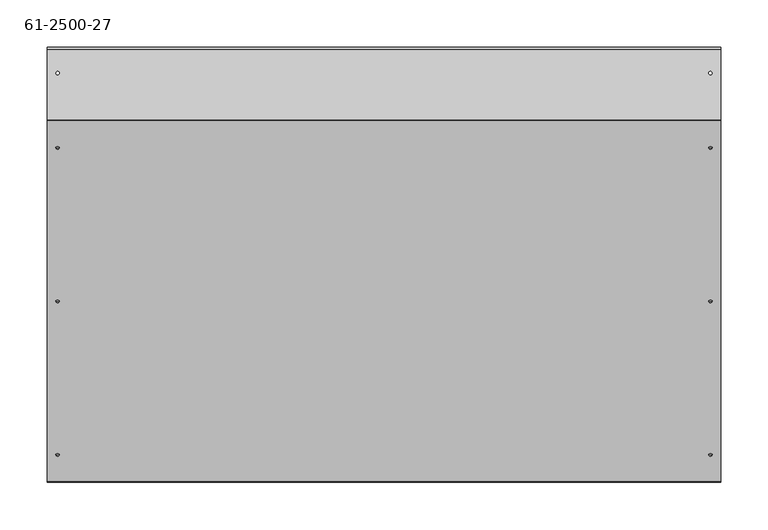
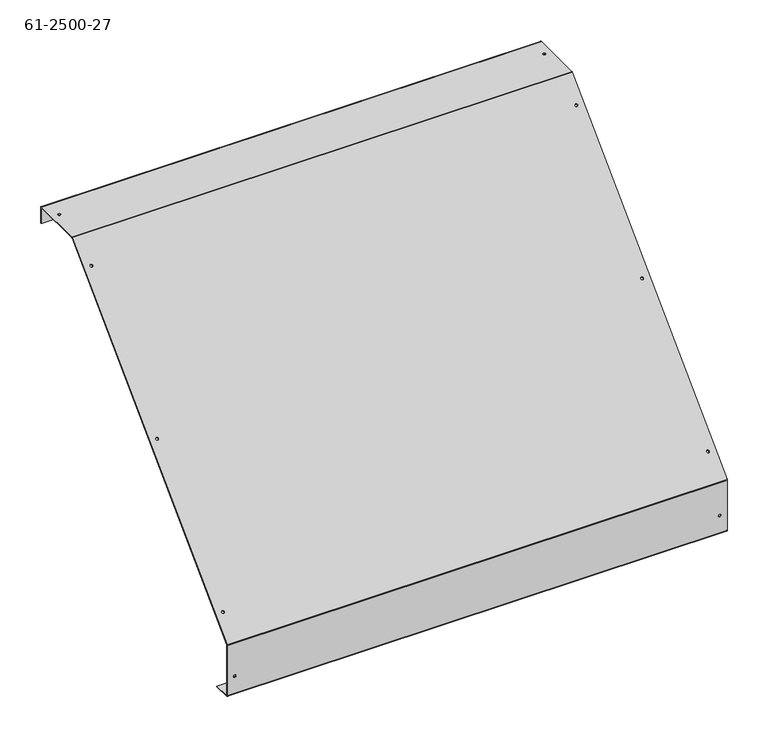
"""IFC4 building model written with IfcOpenShell, lengths in millimetres: proxy geometry, 61-2500-27."""

import ifcopenshell
import ifcopenshell.guid

model = None  # the IFC model being written
_history = None  # IfcOwnerHistory: only IFC2X3 demands one
_inside = {}  # id of a spatial element -> (the spatial element, [elements in it])
_under = {}  # id of a project, library or spatial element -> (it, [spatial elements below it])
_declared = {}  # id of a project -> (the project, [libraries it declares])
_typed = {}  # id of a type object -> (the type object, [elements of that type])
_made_of = {}  # id of a material, layer set ... -> (it, [elements and type objects made of it])


def new_model(schema):
    """Start an empty IFC model of exactly this schema.

    Asked for "IFC4X3", IfcOpenShell would pick the latest addendum, in which some entities
    have other attributes; the version numbers below select the first issue.
    IFC2X3 requires an IfcOwnerHistory on every rooted entity: one is made here for all.
    """
    global model, _history
    if schema == "IFC4X3":
        model = ifcopenshell.file(schema_version=(4, 3, 0, 0))
    else:
        model = ifcopenshell.file(schema=schema)
    _inside.clear()
    _under.clear()
    _declared.clear()
    _typed.clear()
    _made_of.clear()
    _history = None
    if model.schema == "IFC2X3":
        org = make("IfcOrganization", Name="unknown")
        user = make(
            "IfcPersonAndOrganization",
            ThePerson=make("IfcPerson", FamilyName="unknown"),
            TheOrganization=org,
        )
        app = make(
            "IfcApplication",
            ApplicationDeveloper=org,
            Version="unknown",
            ApplicationFullName="unknown",
            ApplicationIdentifier="unknown",
        )
        _history = make(
            "IfcOwnerHistory",
            OwningUser=user,
            OwningApplication=app,
            ChangeAction="ADDED",
            CreationDate=0,
        )
    return model


def make(cls, **values):
    """One entity of the class cls with the attributes given. An attribute that is None is left unset."""
    return model.create_entity(
        cls, **{name: value for name, value in values.items() if value is not None}
    )


def rooted(cls, **values):
    """An entity with a GlobalId (a new one), such as an element, a storey or a relation."""
    return make(cls, GlobalId=ifcopenshell.guid.new(), OwnerHistory=_history, **values)


def si_unit(unit_type, name, prefix=None):
    """IfcSIUnit, for example si_unit("LENGTHUNIT", "METRE", prefix="MILLI")."""
    return make("IfcSIUnit", UnitType=unit_type, Prefix=prefix, Name=name)


def assignment(units):
    """IfcUnitAssignment: the units of a project."""
    return None if units is None else make("IfcUnitAssignment", Units=units)


def point(xyz):
    """IfcCartesianPoint."""
    return None if xyz is None else make("IfcCartesianPoint", Coordinates=xyz)


def direction(xyz):
    """IfcDirection."""
    return None if xyz is None else make("IfcDirection", DirectionRatios=xyz)


def frame(location, z_axis=None, x_axis=None):
    """IfcAxis2Placement3D, a coordinate frame: its origin and axes. An axis left out is left unset."""
    return make(
        "IfcAxis2Placement3D",
        Location=point(location),
        Axis=direction(z_axis),
        RefDirection=direction(x_axis),
    )


def origin():
    """The frame at (0, 0, 0) with its axes left unset."""
    return frame((0.0, 0.0, 0.0))


def place(relative_to, where):
    """IfcLocalPlacement: puts the frame where relative to a parent placement (None: the world)."""
    return make(
        "IfcLocalPlacement", PlacementRelTo=relative_to, RelativePlacement=where
    )


def context(
    kind, dimensions, precision=None, world=None, true_north=None, identifier=None
):
    """IfcGeometricRepresentationContext, for example the 3D "Model" context."""
    return make(
        "IfcGeometricRepresentationContext",
        ContextIdentifier=identifier,
        ContextType=kind,
        CoordinateSpaceDimension=dimensions,
        Precision=precision,
        WorldCoordinateSystem=world,
        TrueNorth=true_north,
    )


def project(units=None, contexts=None):
    """IfcProject with its units and contexts."""
    return rooted(
        "IfcProject",
        Name="project",
        RepresentationContexts=contexts,
        UnitsInContext=assignment(units),
    )


def spatial(cls, under=None, at=None, **own):
    """A site, building, storey or space (cls), placed at a placement, below another one or the project."""
    s = rooted(cls, ObjectPlacement=at, **own)
    if under is not None:
        _under.setdefault(under.id(), (under, []))[1].append(s)
    return s


def polyline(points):
    """IfcPolyline through the points."""
    return make("IfcPolyline", Points=[point(p) for p in points])


def circle_curve(where, radius):
    """IfcCircle in the frame where."""
    return make("IfcCircle", Position=where, Radius=radius)


def shape(context_of_items, identifier, shape_type, items):
    """IfcShapeRepresentation: the items that make up one representation, for example the "Body"."""
    return make(
        "IfcShapeRepresentation",
        ContextOfItems=context_of_items,
        RepresentationIdentifier=identifier,
        RepresentationType=shape_type,
        Items=items,
    )


def source(mapping_origin, context_of_items, identifier, shape_type, items):
    """IfcRepresentationMap: a shape defined once, which mapped items show again and again."""
    return make(
        "IfcRepresentationMap",
        MappingOrigin=mapping_origin,
        MappedRepresentation=shape(context_of_items, identifier, shape_type, items),
    )


def transform(
    local_origin,
    x_axis=None,
    y_axis=None,
    z_axis=None,
    scale=None,
    scale2=None,
    scale3=None,
    uniform=True,
):
    """IfcCartesianTransformationOperator3D, or its non-uniform kind. x_axis, y_axis, z_axis: its Axis1, 2, 3."""
    if uniform:
        return make(
            "IfcCartesianTransformationOperator3D",
            Axis1=direction(x_axis),
            Axis2=direction(y_axis),
            LocalOrigin=point(local_origin),
            Scale=scale,
            Axis3=direction(z_axis),
        )
    return make(
        "IfcCartesianTransformationOperator3DnonUniform",
        Axis1=direction(x_axis),
        Axis2=direction(y_axis),
        LocalOrigin=point(local_origin),
        Scale=scale,
        Axis3=direction(z_axis),
        Scale2=scale2,
        Scale3=scale3,
    )


def mapped(mapping_source, mapping_target):
    """IfcMappedItem: shows the shape of a source again, moved by a transform."""
    return make(
        "IfcMappedItem", MappingSource=mapping_source, MappingTarget=mapping_target
    )


def made_of(thing, what):
    """Note that an element or type object is made of a material, layer set ...; save() writes the relation."""
    if what is not None:
        _made_of.setdefault(what.id(), (what, []))[1].append(thing)
    return thing


def element(
    cls,
    number,
    at=None,
    inside=None,
    cuts=None,
    type_object=None,
    material=None,
    context=None,
    identifier="Body",
    shape_type=None,
    held_by="IfcProductDefinitionShape",
    body=None,
    shapes=None,
    **own,
):
    """One element of the class cls, such as IfcWall. Its Tag is "e" and its number.

    at: its placement. inside: the storey or other place that contains it. cuts: it is an
    opening in that element (IfcRelVoidsElement). A single representation is given by context,
    identifier, shape_type and body (its items); several are given by shapes. held_by: the class
    of the entity that holds the representations. save() writes the other relations.
    """
    e = rooted(cls, Tag="e%d" % number, ObjectPlacement=at, **own)
    if body is not None:
        shapes = [shape(context, identifier, shape_type, body)]
    if shapes is not None:
        e.Representation = make(held_by, Representations=shapes)
    if inside is not None:
        _inside.setdefault(inside.id(), (inside, []))[1].append(e)
    if cuts is not None:
        rooted(
            "IfcRelVoidsElement", RelatingBuildingElement=cuts, RelatedOpeningElement=e
        )
    if type_object is not None:
        _typed.setdefault(type_object.id(), (type_object, []))[1].append(e)
    return made_of(e, material)


def aggregate(whole, parts):
    """IfcRelAggregates: a whole, such as a stair, and the parts it consists of."""
    return rooted("IfcRelAggregates", RelatingObject=whole, RelatedObjects=parts)


def save(model, path):
    """Write the relations noted so far, then the file.

    IfcRelAggregates (storeys below a building ...), IfcRelContainedInSpatialStructure (elements
    in a storey), IfcRelDefinesByType, IfcRelAssociatesMaterial and IfcRelDeclares: one each for
    every whole, place, type object, material and project.
    """
    for whole, parts in _under.values():
        aggregate(whole, parts)
    for where, things in _inside.values():
        rooted(
            "IfcRelContainedInSpatialStructure",
            RelatedElements=things,
            RelatingStructure=where,
        )
    for kind, things in _typed.values():
        rooted("IfcRelDefinesByType", RelatedObjects=things, RelatingType=kind)
    for what, things in _made_of.values():
        rooted("IfcRelAssociatesMaterial", RelatedObjects=things, RelatingMaterial=what)
    for by, libraries in _declared.values():
        rooted("IfcRelDeclares", RelatingContext=by, RelatedDefinitions=libraries)
    model.write(path)


def plane_surface(at):
    """IfcPlane: the flat surface through the origin of the frame at, square to its z axis."""
    return make("IfcPlane", Position=at)


def cylinder_surface(at, radius):
    """IfcCylindricalSurface: all points at the distance radius from the z axis of the frame at."""
    return make("IfcCylindricalSurface", Position=at, Radius=radius)


def revolved_surface(curve, axis_point, axis_direction):
    """IfcSurfaceOfRevolution: the curve turned about the line through axis_point along axis_direction."""
    return make(
        "IfcSurfaceOfRevolution",
        SweptCurve=make("IfcArbitraryOpenProfileDef", ProfileType="CURVE", Curve=curve),
        AxisPosition=make("IfcAxis1Placement", Location=point(axis_point), Axis=direction(axis_direction)),
    )


def advanced_brep(points, edges, surfaces, faces):
    """IfcAdvancedBrep: a solid bounded by faces that lie on surfaces and meet in shared edges.

    An edge is (start, end): straight between two places in points (the first is 0);
    or (start, end, curve); or (start, end, curve, False) where it runs against its curve.
    A face is (place in surfaces, loops), or (place, loops, False) where it looks against
    its surface's normal. A loop lists edges by number (the first is 1), with a minus sign
    where the edge is run from its end to its start. The first loop is the outer one.
    """
    corners = [point(p) for p in points]
    vertices = [make("IfcVertexPoint", VertexGeometry=c) for c in corners]
    made = []
    for start, end, *more in edges:
        made.append(
            make(
                "IfcEdgeCurve",
                EdgeStart=vertices[start],
                EdgeEnd=vertices[end],
                EdgeGeometry=more[0] if more else make("IfcPolyline", Points=[corners[start], corners[end]]),
                SameSense=more[1] if len(more) > 1 else True,
            )
        )
    hull = []
    for where, loops, *sense in faces:
        bounds = []
        for j, loop in enumerate(loops):
            ring = [make("IfcOrientedEdge", EdgeElement=made[abs(k) - 1], Orientation=k > 0) for k in loop]
            bounds.append(
                make(
                    "IfcFaceOuterBound" if j == 0 else "IfcFaceBound",
                    Bound=make("IfcEdgeLoop", EdgeList=ring),
                    Orientation=True,
                )
            )
        hull.append(make("IfcAdvancedFace", Bounds=bounds, FaceSurface=surfaces[where], SameSense=sense[0] if sense else True))
    return make("IfcAdvancedBrep", Outer=make("IfcClosedShell", CfsFaces=hull))


def proxy_61_2500_27_4983288d(model_context):
    return source(origin(), model_context, "Body", "AdvancedBrep", [
        advanced_brep(
        [(-90.8969344, 178.1233695, -28.6118362), (-90.8969344, 177.5198963, -28.008363), (-94.3259344, 177.5198963, -28.008363), (-94.3259344, 178.1233695, -28.6118362), (-90.8969344, 16.4787593, -190.2564464), (-90.8969344, 15.8752861, -189.6529732), (-94.3259344, 15.8752861, -189.6529732), (-94.3259344, 16.4787593, -190.2564464), (-90.8969344, -145.1658509, -351.9010566), (-90.8969344, -145.7693241, -351.2975833), (-94.3259344, -145.7693241, -351.2975833), (-94.3259344, -145.1658509, -351.9010566), (596.6048656, -145.1658509, -351.9010566), (596.6048656, -145.7693241, -351.2975833), (593.1758656, -145.7693241, -351.2975833), (593.1758656, -145.1658509, -351.9010566), (596.6048656, 16.4787593, -190.2564464), (596.6048656, 15.8752861, -189.6529732), (593.1758656, 15.8752861, -189.6529732), (593.1758656, 16.4787593, -190.2564464), (596.6048656, 178.1233695, -28.6118362), (596.6048656, 177.5198963, -28.008363), (593.1758656, 177.5198963, -28.008363), (593.1758656, 178.1233695, -28.6118362), (-90.8969344, 256.3282593, 0.0), (-90.8969344, 256.3282593, 0.85344), (-94.3259344, 256.3282593, 0.85344), (-94.3259344, 256.3282593, 0.0), (596.6048656, 256.3282593, 0.0), (596.6048656, 256.3282593, 0.85344), (593.1758656, 256.3282593, 0.85344), (593.1758656, 256.3282593, 0.0), (-75.4423044, 282.4623193, -11.84656), (-75.4423044, 283.3157593, -11.84656), (-82.6813044, 283.3157593, -11.84656), (-82.6813044, 282.4623193, -11.84656), (144.6918756, 282.4623193, -11.84656), (144.6918756, 283.3157593, -11.84656), (137.4528756, 283.3157593, -11.84656), (137.4528756, 282.4623193, -11.84656), (364.8260556, 282.4623193, -11.84656), (364.8260556, 283.3157593, -11.84656), (357.5870556, 283.3157593, -11.84656), (357.5870556, 282.4623193, -11.84656), (584.9602356, 282.4623193, -11.84656), (584.9602356, 283.3157593, -11.84656), (577.7212356, 283.3157593, -11.84656), (577.7212356, 282.4623193, -11.84656), (-90.8969344, -173.777687, -429.8498527), (-90.8969344, -174.631127, -429.8498527), (-94.3259344, -174.631127, -429.8498527), (-94.3259344, -173.777687, -429.8498527), (596.6048656, -173.777687, -429.8498527), (596.6048656, -174.631127, -429.8498527), (593.1758656, -174.631127, -429.8498527), (593.1758656, -173.777687, -429.8498527), (605.5837656, -172.924247, -456.7128927), (-103.3048344, -172.924247, -456.7128927), (-103.3048344, -173.777687, -455.8594527), (605.5837656, -173.777687, -455.8594527), (605.5837656, -172.924247, -457.5663327), (605.5837656, -149.231127, -457.5663327), (605.5837656, -149.231127, -456.7128927), (-103.3048344, -172.924247, -457.5663327), (-103.3048344, -149.231127, -457.5663327), (-103.3048344, -174.631127, -455.8594527), (605.5837656, -174.631127, -455.8594527), (-103.3048344, -149.231127, -456.7128927), (605.5837656, -173.777687, -380.8663992), (605.5837656, -173.5277203, -380.262926), (605.5837656, 206.4852389, -0.2499668), (605.5837656, 207.0887121, 0.0), (605.5837656, 281.6088793, 0.0), (605.5837656, 282.4623193, -0.85344), (605.5837656, 282.4623193, -24.54656), (605.5837656, 283.3157593, -24.54656), (605.5837656, 283.3157593, -0.85344), (605.5837656, 281.6088793, 0.85344), (605.5837656, 207.0887121, 0.85344), (605.5837656, 205.8817657, 0.3535064), (605.5837656, -174.1311935, -379.6594527), (605.5837656, -174.631127, -380.8663992), (-103.3048344, -173.777687, -380.8663992), (-103.3048344, -174.631127, -380.8663992), (-103.3048344, -174.1311935, -379.6594527), (-103.3048344, 205.8817657, 0.3535064), (-103.3048344, 207.0887121, 0.85344), (-103.3048344, 281.6088793, 0.85344), (-103.3048344, 283.3157593, -0.85344), (-103.3048344, 283.3157593, -24.54656), (-103.3048344, 282.4623193, -24.54656), (-103.3048344, 282.4623193, -0.85344), (-103.3048344, 281.6088793, 0.0), (-103.3048344, 207.0887121, 0.0), (-103.3048344, 206.4852389, -0.2499668), (-103.3048344, -173.5277203, -380.262926)],
        [
            (0, 1),
            (1, 2, circle_curve(frame((-92.6114344, 177.5198963, -28.008363), z_axis=(0.0, -0.7071067811865475, 0.7071067811865476), x_axis=(1.0, 0.0, 0.0)), 1.7145)),
            (2, 3),
            (3, 0, circle_curve(frame((-92.6114344, 178.1233695, -28.6118362), z_axis=(0.0, 0.7071067811865475, -0.7071067811865476), x_axis=(1.0, 0.0, 0.0)), 1.7145)),
            (4, 5),
            (5, 6, circle_curve(frame((-92.6114344, 15.8752861, -189.6529732), z_axis=(0.0, -0.7071067811865475, 0.7071067811865476), x_axis=(1.0, 0.0, 0.0)), 1.7145)),
            (6, 7),
            (7, 4, circle_curve(frame((-92.6114344, 16.4787593, -190.2564464), z_axis=(0.0, 0.7071067811865475, -0.7071067811865476), x_axis=(1.0, 0.0, 0.0)), 1.7145)),
            (8, 9),
            (9, 10, circle_curve(frame((-92.6114344, -145.7693241, -351.2975833), z_axis=(0.0, -0.7071067811865475, 0.7071067811865476), x_axis=(1.0, 0.0, 0.0)), 1.7145)),
            (10, 11),
            (11, 8, circle_curve(frame((-92.6114344, -145.1658509, -351.9010566), z_axis=(0.0, 0.7071067811865475, -0.7071067811865476), x_axis=(1.0, 0.0, 0.0)), 1.7145)),
            (12, 13),
            (13, 14, circle_curve(frame((594.8903656, -145.7693241, -351.2975833), z_axis=(0.0, -0.7071067811865475, 0.7071067811865476), x_axis=(1.0, 0.0, 0.0)), 1.7145)),
            (14, 15),
            (15, 12, circle_curve(frame((594.8903656, -145.1658509, -351.9010566), z_axis=(0.0, 0.7071067811865475, -0.7071067811865476), x_axis=(1.0, 0.0, 0.0)), 1.7145)),
            (16, 17),
            (17, 18, circle_curve(frame((594.8903656, 15.8752861, -189.6529732), z_axis=(0.0, -0.7071067811865475, 0.7071067811865476), x_axis=(1.0, 0.0, 0.0)), 1.7145)),
            (18, 19),
            (19, 16, circle_curve(frame((594.8903656, 16.4787593, -190.2564464), z_axis=(0.0, 0.7071067811865475, -0.7071067811865476), x_axis=(1.0, 0.0, 0.0)), 1.7145)),
            (20, 21),
            (21, 22, circle_curve(frame((594.8903656, 177.5198963, -28.008363), z_axis=(0.0, -0.7071067811865475, 0.7071067811865476), x_axis=(1.0, 0.0, 0.0)), 1.7145)),
            (22, 23),
            (23, 20, circle_curve(frame((594.8903656, 178.1233695, -28.6118362), z_axis=(0.0, 0.7071067811865475, -0.7071067811865476), x_axis=(1.0, 0.0, 0.0)), 1.7145)),
            (24, 25),
            (25, 26, circle_curve(frame((-92.6114344, 256.3282593, 0.85344), z_axis=(0.0, 0.0, 1.0), x_axis=(1.0, 0.0, 0.0)), 1.7145)),
            (26, 27),
            (27, 24, circle_curve(frame((-92.6114344, 256.3282593, 0.0), z_axis=(0.0, 0.0, -1.0), x_axis=(1.0, 0.0, 0.0)), 1.7145)),
            (28, 29),
            (29, 30, circle_curve(frame((594.8903656, 256.3282593, 0.85344), z_axis=(0.0, 0.0, 1.0), x_axis=(1.0, 0.0, 0.0)), 1.7145)),
            (30, 31),
            (31, 28, circle_curve(frame((594.8903656, 256.3282593, 0.0), z_axis=(0.0, 0.0, -1.0), x_axis=(1.0, 0.0, 0.0)), 1.7145)),
            (32, 33),
            (33, 34, circle_curve(frame((-79.0618044, 283.3157593, -11.84656), z_axis=(0.0, 1.0, 0.0), x_axis=(1.0, 0.0, 0.0)), 3.6195)),
            (34, 35),
            (35, 32, circle_curve(frame((-79.0618044, 282.4623193, -11.84656), z_axis=(0.0, -1.0, 0.0), x_axis=(1.0, 0.0, 0.0)), 3.6195)),
            (36, 37),
            (37, 38, circle_curve(frame((141.0723756, 283.3157593, -11.84656), z_axis=(0.0, 1.0, 0.0), x_axis=(1.0, 0.0, 0.0)), 3.6195)),
            (38, 39),
            (39, 36, circle_curve(frame((141.0723756, 282.4623193, -11.84656), z_axis=(0.0, -1.0, 0.0), x_axis=(1.0, 0.0, 0.0)), 3.6195)),
            (40, 41),
            (41, 42, circle_curve(frame((361.2065556, 283.3157593, -11.84656), z_axis=(0.0, 1.0, 0.0), x_axis=(1.0, 0.0, 0.0)), 3.6195)),
            (42, 43),
            (43, 40, circle_curve(frame((361.2065556, 282.4623193, -11.84656), z_axis=(0.0, -1.0, 0.0), x_axis=(1.0, 0.0, 0.0)), 3.6195)),
            (44, 45),
            (45, 46, circle_curve(frame((581.3407356, 283.3157593, -11.84656), z_axis=(0.0, 1.0, 0.0), x_axis=(1.0, 0.0, 0.0)), 3.6195)),
            (46, 47),
            (47, 44, circle_curve(frame((581.3407356, 282.4623193, -11.84656), z_axis=(0.0, -1.0, 0.0), x_axis=(1.0, 0.0, 0.0)), 3.6195)),
            (48, 49),
            (49, 50, circle_curve(frame((-92.6114344, -174.631127, -429.8498527), z_axis=(0.0, -1.0, 0.0), x_axis=(1.0, 0.0, 0.0)), 1.7145)),
            (50, 51),
            (51, 48, circle_curve(frame((-92.6114344, -173.777687, -429.8498527), z_axis=(0.0, 1.0, 0.0), x_axis=(1.0, 0.0, 0.0)), 1.7145)),
            (52, 53),
            (53, 54, circle_curve(frame((594.8903656, -174.631127, -429.8498527), z_axis=(0.0, -1.0, 0.0), x_axis=(1.0, 0.0, 0.0)), 1.7145)),
            (54, 55),
            (55, 52, circle_curve(frame((594.8903656, -173.777687, -429.8498527), z_axis=(0.0, 1.0, 0.0), x_axis=(1.0, 0.0, 0.0)), 1.7145)),
            (52, 55, circle_curve(frame((594.8903656, -173.777687, -429.8498527), z_axis=(0.0, 1.0, 0.0), x_axis=(1.0, 0.0, 0.0)), 1.7145)),
            (54, 53, circle_curve(frame((594.8903656, -174.631127, -429.8498527), z_axis=(0.0, -1.0, 0.0), x_axis=(1.0, 0.0, 0.0)), 1.7145)),
            (48, 51, circle_curve(frame((-92.6114344, -173.777687, -429.8498527), z_axis=(0.0, 1.0, 0.0), x_axis=(1.0, 0.0, 0.0)), 1.7145)),
            (50, 49, circle_curve(frame((-92.6114344, -174.631127, -429.8498527), z_axis=(0.0, -1.0, 0.0), x_axis=(1.0, 0.0, 0.0)), 1.7145)),
            (56, 57),
            (57, 58, circle_curve(frame((-103.3048344, -172.924247, -455.8594527), z_axis=(-1.0, 0.0, 0.0), x_axis=(0.0, -1.0, 0.0)), 0.85344)),
            (58, 59),
            (59, 56, circle_curve(frame((605.5837656, -172.924247, -455.8594527), z_axis=(1.0, 0.0, 0.0), x_axis=(0.0, -1.0, 0.0)), 0.85344)),
            (56, 60),
            (60, 61),
            (61, 62),
            (62, 56),
            (60, 63),
            (63, 64),
            (64, 61),
            (57, 63),
            (63, 65, circle_curve(frame((-103.3048344, -172.924247, -455.8594527), z_axis=(-1.0, 0.0, 0.0), x_axis=(0.0, -1.0, 0.0)), 1.70688)),
            (65, 58),
            (59, 66),
            (66, 60, circle_curve(frame((605.5837656, -172.924247, -455.8594527), z_axis=(1.0, 0.0, 0.0), x_axis=(0.0, -1.0, 0.0)), 1.70688)),
            (57, 67),
            (67, 64),
            (67, 62),
            (66, 65),
            (59, 68),
            (68, 69, circle_curve(frame((605.5837656, -172.924247, -380.8663992), z_axis=(-1.0, 0.0, 0.0), x_axis=(0.0, -0.7071067811866516, 0.7071067811864434)), 0.85344)),
            (69, 70),
            (70, 71, circle_curve(frame((605.5837656, 207.0887121, -0.85344), z_axis=(-1.0, 0.0, 0.0), x_axis=(0.0, 0.0, 1.0)), 0.85344)),
            (71, 72),
            (72, 73, circle_curve(frame((605.5837656, 281.6088793, -0.85344), z_axis=(-1.0, 0.0, 0.0), x_axis=(0.0, 0.0, 1.0)), 0.85344)),
            (73, 74),
            (74, 75),
            (75, 76),
            (76, 77, circle_curve(frame((605.5837656, 281.6088793, -0.85344), z_axis=(1.0, 0.0, 0.0), x_axis=(0.0, 0.0, 1.0)), 1.70688)),
            (77, 78),
            (78, 79, circle_curve(frame((605.5837656, 207.0887121, -0.85344), z_axis=(1.0, 0.0, 0.0), x_axis=(0.0, 0.0, 1.0)), 1.70688)),
            (79, 80),
            (80, 81, circle_curve(frame((605.5837656, -172.924247, -380.8663992), z_axis=(1.0, 0.0, 0.0), x_axis=(0.0, -0.7071067811866516, 0.7071067811864434)), 1.70688)),
            (81, 66),
            (58, 82),
            (82, 68),
            (44, 47, circle_curve(frame((581.3407356, 282.4623193, -11.84656), z_axis=(0.0, -1.0, 0.0), x_axis=(1.0, 0.0, 0.0)), 3.6195)),
            (46, 45, circle_curve(frame((581.3407356, 283.3157593, -11.84656), z_axis=(0.0, 1.0, 0.0), x_axis=(1.0, 0.0, 0.0)), 3.6195)),
            (40, 43, circle_curve(frame((361.2065556, 282.4623193, -11.84656), z_axis=(0.0, -1.0, 0.0), x_axis=(1.0, 0.0, 0.0)), 3.6195)),
            (42, 41, circle_curve(frame((361.2065556, 283.3157593, -11.84656), z_axis=(0.0, 1.0, 0.0), x_axis=(1.0, 0.0, 0.0)), 3.6195)),
            (36, 39, circle_curve(frame((141.0723756, 282.4623193, -11.84656), z_axis=(0.0, -1.0, 0.0), x_axis=(1.0, 0.0, 0.0)), 3.6195)),
            (38, 37, circle_curve(frame((141.0723756, 283.3157593, -11.84656), z_axis=(0.0, 1.0, 0.0), x_axis=(1.0, 0.0, 0.0)), 3.6195)),
            (32, 35, circle_curve(frame((-79.0618044, 282.4623193, -11.84656), z_axis=(0.0, -1.0, 0.0), x_axis=(1.0, 0.0, 0.0)), 3.6195)),
            (34, 33, circle_curve(frame((-79.0618044, 283.3157593, -11.84656), z_axis=(0.0, 1.0, 0.0), x_axis=(1.0, 0.0, 0.0)), 3.6195)),
            (28, 31, circle_curve(frame((594.8903656, 256.3282593, 0.0), z_axis=(0.0, 0.0, -1.0), x_axis=(1.0, 0.0, 0.0)), 1.7145)),
            (30, 29, circle_curve(frame((594.8903656, 256.3282593, 0.85344), z_axis=(0.0, 0.0, 1.0), x_axis=(1.0, 0.0, 0.0)), 1.7145)),
            (24, 27, circle_curve(frame((-92.6114344, 256.3282593, 0.0), z_axis=(0.0, 0.0, -1.0), x_axis=(1.0, 0.0, 0.0)), 1.7145)),
            (26, 25, circle_curve(frame((-92.6114344, 256.3282593, 0.85344), z_axis=(0.0, 0.0, 1.0), x_axis=(1.0, 0.0, 0.0)), 1.7145)),
            (20, 23, circle_curve(frame((594.8903656, 178.1233695, -28.6118362), z_axis=(0.0, 0.7071067811865475, -0.7071067811865476), x_axis=(1.0, 0.0, 0.0)), 1.7145)),
            (22, 21, circle_curve(frame((594.8903656, 177.5198963, -28.008363), z_axis=(0.0, -0.7071067811865475, 0.7071067811865476), x_axis=(1.0, 0.0, 0.0)), 1.7145)),
            (16, 19, circle_curve(frame((594.8903656, 16.4787593, -190.2564464), z_axis=(0.0, 0.7071067811865475, -0.7071067811865476), x_axis=(1.0, 0.0, 0.0)), 1.7145)),
            (18, 17, circle_curve(frame((594.8903656, 15.8752861, -189.6529732), z_axis=(0.0, -0.7071067811865475, 0.7071067811865476), x_axis=(1.0, 0.0, 0.0)), 1.7145)),
            (12, 15, circle_curve(frame((594.8903656, -145.1658509, -351.9010566), z_axis=(0.0, 0.7071067811865475, -0.7071067811865476), x_axis=(1.0, 0.0, 0.0)), 1.7145)),
            (14, 13, circle_curve(frame((594.8903656, -145.7693241, -351.2975833), z_axis=(0.0, -0.7071067811865475, 0.7071067811865476), x_axis=(1.0, 0.0, 0.0)), 1.7145)),
            (8, 11, circle_curve(frame((-92.6114344, -145.1658509, -351.9010566), z_axis=(0.0, 0.7071067811865475, -0.7071067811865476), x_axis=(1.0, 0.0, 0.0)), 1.7145)),
            (10, 9, circle_curve(frame((-92.6114344, -145.7693241, -351.2975833), z_axis=(0.0, -0.7071067811865475, 0.7071067811865476), x_axis=(1.0, 0.0, 0.0)), 1.7145)),
            (4, 7, circle_curve(frame((-92.6114344, 16.4787593, -190.2564464), z_axis=(0.0, 0.7071067811865475, -0.7071067811865476), x_axis=(1.0, 0.0, 0.0)), 1.7145)),
            (6, 5, circle_curve(frame((-92.6114344, 15.8752861, -189.6529732), z_axis=(0.0, -0.7071067811865475, 0.7071067811865476), x_axis=(1.0, 0.0, 0.0)), 1.7145)),
            (0, 3, circle_curve(frame((-92.6114344, 178.1233695, -28.6118362), z_axis=(0.0, 0.7071067811865475, -0.7071067811865476), x_axis=(1.0, 0.0, 0.0)), 1.7145)),
            (2, 1, circle_curve(frame((-92.6114344, 177.5198963, -28.008363), z_axis=(0.0, -0.7071067811865475, 0.7071067811865476), x_axis=(1.0, 0.0, 0.0)), 1.7145)),
            (65, 83),
            (83, 84, circle_curve(frame((-103.3048344, -172.924247, -380.8663992), z_axis=(-1.0, 0.0, 0.0), x_axis=(0.0, -0.7071067811866516, 0.7071067811864434)), 1.70688)),
            (84, 85),
            (85, 86, circle_curve(frame((-103.3048344, 207.0887121, -0.85344), z_axis=(-1.0, 0.0, 0.0), x_axis=(0.0, 0.0, 1.0)), 1.70688)),
            (86, 87),
            (87, 88, circle_curve(frame((-103.3048344, 281.6088793, -0.85344), z_axis=(-1.0, 0.0, 0.0), x_axis=(0.0, 0.0, 1.0)), 1.70688)),
            (88, 89),
            (89, 90),
            (90, 91),
            (91, 92, circle_curve(frame((-103.3048344, 281.6088793, -0.85344), z_axis=(1.0, 0.0, 0.0), x_axis=(0.0, 0.0, 1.0)), 0.85344)),
            (92, 93),
            (93, 94, circle_curve(frame((-103.3048344, 207.0887121, -0.85344), z_axis=(1.0, 0.0, 0.0), x_axis=(0.0, 0.0, 1.0)), 0.85344)),
            (94, 95),
            (95, 82, circle_curve(frame((-103.3048344, -172.924247, -380.8663992), z_axis=(1.0, 0.0, 0.0), x_axis=(0.0, -0.7071067811866516, 0.7071067811864434)), 0.85344)),
            (88, 76),
            (75, 89),
            (74, 90),
            (73, 91),
            (87, 77),
            (72, 92),
            (86, 78),
            (81, 83),
            (95, 69),
            (80, 84),
            (94, 70),
            (79, 85),
            (93, 71),
        ],
        [
            revolved_surface(polyline([(-90.89693439999999, 177.5198963, -28.008363000000003), (-90.89693439999999, 178.1233695, -28.6118362)]), (-92.6114344, 177.8216329, -28.3100996), (0.0, -0.7071067811865475, 0.7071067811865476)),
            revolved_surface(polyline([(-90.89693439999999, 15.8752861, -189.6529732), (-90.89693439999999, 16.4787593, -190.2564464)]), (-92.6114344, 16.1770227, -189.9547098), (0.0, -0.7071067811865475, 0.7071067811865476)),
            revolved_surface(polyline([(-90.89693439999999, -145.7693241, -351.2975833), (-90.89693439999999, -145.16585085000003, -351.90105655)]), (-92.6114344, -145.4675875, -351.5993199), (0.0, -0.7071067811865475, 0.7071067811865476)),
            revolved_surface(polyline([(596.6048656, -145.7693241, -351.2975833), (596.6048656, -145.16585085000003, -351.90105655)]), (594.8903656, -145.4675875, -351.5993199), (0.0, -0.7071067811865475, 0.7071067811865476)),
            revolved_surface(polyline([(596.6048656, 15.8752861, -189.6529732), (596.6048656, 16.4787593, -190.2564464)]), (594.8903656, 16.1770227, -189.9547098), (0.0, -0.7071067811865475, 0.7071067811865476)),
            revolved_surface(polyline([(596.6048656, 177.5198963, -28.008363000000003), (596.6048656, 178.1233695, -28.6118362)]), (594.8903656, 177.8216329, -28.3100996), (0.0, -0.7071067811865475, 0.7071067811865476)),
            revolved_surface(polyline([(-90.89693439999999, 256.3282593, 0.85344), (-90.89693439999999, 256.3282593, 0.0)]), (-92.6114344, 256.3282593, 0.42672), (0.0, 0.0, 1.0)),
            revolved_surface(polyline([(596.6048656, 256.3282593, 0.85344), (596.6048656, 256.3282593, 0.0)]), (594.8903656, 256.3282593, 0.42672), (0.0, 0.0, 1.0)),
            revolved_surface(polyline([(-75.4423044, 283.3157593, -11.84656), (-75.4423044, 282.4623193, -11.84656)]), (-79.0618044, 282.8890393, -11.84656), (0.0, 1.0, 0.0)),
            revolved_surface(polyline([(144.69187559999997, 283.3157593, -11.84656), (144.69187559999997, 282.4623193, -11.84656)]), (141.0723756, 282.8890393, -11.84656), (0.0, 1.0, 0.0)),
            revolved_surface(polyline([(364.8260556, 283.3157593, -11.84656), (364.8260556, 282.4623193, -11.84656)]), (361.2065556, 282.8890393, -11.84656), (0.0, 1.0, 0.0)),
            revolved_surface(polyline([(584.9602356, 283.3157593, -11.84656), (584.9602356, 282.4623193, -11.84656)]), (581.3407356, 282.8890393, -11.84656), (0.0, 1.0, 0.0)),
            revolved_surface(polyline([(-90.89693439999999, -174.631127, -429.8498527), (-90.89693439999999, -173.777687, -429.8498527)]), (-92.6114344, -174.204407, -429.8498527), (0.0, -1.0, 0.0)),
            revolved_surface(polyline([(596.6048656, -174.631127, -429.8498527), (596.6048656, -173.777687, -429.8498527)]), (594.8903656, -174.204407, -429.8498527), (0.0, -1.0, 0.0)),
            revolved_surface(polyline([(605.5837656, -173.77768700000001, -455.8594527), (-103.3048344, -173.77768700000001, -455.8594527)]), (251.1394656, -172.924247, -455.8594527), (1.0, 0.0, 0.0)),
            plane_surface(frame((605.5837656, -172.924247, -457.5663327), z_axis=(1.0, 0.0, 0.0), x_axis=(0.0, 1.0, 0.0))),
            plane_surface(frame((251.1394656, -162.0429049, -457.5663327), z_axis=(0.0, 0.0, -1.0), x_axis=(0.0, -1.0, 0.0))),
            plane_surface(frame((-103.3048344, -172.924247, -457.5663327), z_axis=(-1.0, 0.0, 0.0), x_axis=(0.0, 0.0, 1.0))),
            plane_surface(frame((605.5837656, -172.924247, -456.7128927), z_axis=(1.0, 0.0, 0.0), x_axis=(0.0, 0.0, -1.0))),
            plane_surface(frame((-103.3048344, -172.924247, -457.5663327), z_axis=(-1.0, 0.0, 0.0), x_axis=(0.0, -1.0, 0.0))),
            plane_surface(frame((-103.3048344, -149.231127, -457.5663327), z_axis=(0.0, 1.0, 0.0), x_axis=(-1.0, 0.0, 0.0))),
            plane_surface(frame((251.1394656, -162.0429049, -456.7128927), z_axis=(0.0, 0.0, 1.0), x_axis=(0.0, -1.0, 0.0))),
            cylinder_surface(frame((251.1394656, -172.924247, -455.8594527), z_axis=(1.0, 0.0, 0.0), x_axis=(0.0, -1.0, 0.0)), 1.70688),
            plane_surface(frame((605.5837656, 283.3157593, 0.85344), z_axis=(1.0, 0.0, 0.0), x_axis=(0.0, 0.0, -1.0))),
            plane_surface(frame((251.1394656, -173.777687, -419.4663327), z_axis=(0.0, 1.0, 0.0), x_axis=(0.0, 0.0, 1.0))),
            plane_surface(frame((-103.3048344, 283.3157593, -24.54656), z_axis=(-1.0, 0.0, 0.0), x_axis=(0.0, 0.0, 1.0))),
            plane_surface(frame((251.1394656, 283.3157593, -11.84656), z_axis=(0.0, 1.0, 0.0), x_axis=(0.0, 0.0, 1.0))),
            plane_surface(frame((605.5837656, 283.3157593, -24.54656), z_axis=(0.0, 0.0, -1.0), x_axis=(-1.0, 0.0, 0.0))),
            plane_surface(frame((251.1394656, 282.4623193, -11.84656), z_axis=(0.0, -1.0, 0.0), x_axis=(0.0, 0.0, 1.0))),
            cylinder_surface(frame((251.1394656, 281.6088793, -0.85344), z_axis=(-1.0, 0.0, 0.0), x_axis=(0.0, 0.0, 1.0)), 1.70688),
            revolved_surface(polyline([(-103.3048344, 281.6088793, 0.0), (605.5837656, 281.6088793, 0.0)]), (251.1394656, 281.6088793, -0.85344), (-1.0, 0.0, 0.0)),
            plane_surface(frame((251.1394656, 244.4220093, 0.85344), z_axis=(0.0, 0.0, 1.0), x_axis=(1.0, 0.0, 0.0))),
            plane_surface(frame((251.1394656, -174.631127, -419.4663327), z_axis=(0.0, -1.0, 0.0), x_axis=(0.0, 0.0, 1.0))),
            revolved_surface(polyline([(605.5837656, -173.52772021133595, -380.2629259886642), (-103.3048344, -173.52772021133595, -380.2629259886642)]), (251.1394656, -172.924247, -380.8663992), (1.0, 0.0, 0.0)),
            cylinder_surface(frame((251.1394656, -172.924247, -380.8663992), z_axis=(1.0, 0.0, 0.0), x_axis=(0.0, -0.7071067811866516, 0.7071067811864434)), 1.70688),
            plane_surface(frame((251.1394656, 15.7503027, -190.984903), z_axis=(0.0, 0.7071067811865475, -0.7071067811865476), x_axis=(1.0, 0.0, 0.0))),
            plane_surface(frame((251.1394656, 15.1468295, -190.3814298), z_axis=(0.0, -0.7071067811865475, 0.7071067811865476), x_axis=(1.0, 0.0, 0.0))),
            revolved_surface(polyline([(605.5837656, 207.0887121, 0.0), (-103.3048344, 207.0887121, 0.0)]), (251.1394656, 207.0887121, -0.85344), (1.0, 0.0, 0.0)),
            cylinder_surface(frame((251.1394656, 207.0887121, -0.85344), z_axis=(1.0, 0.0, 0.0), x_axis=(0.0, 0.0, 1.0)), 1.70688),
            plane_surface(frame((251.1394656, 244.4220093, 0.0), z_axis=(0.0, 0.0, -1.0), x_axis=(1.0, 0.0, 0.0))),
        ],
        [
            (0, [[1, 2, 3, 4]]),
            (1, [[5, 6, 7, 8]]),
            (2, [[9, 10, 11, 12]]),
            (3, [[13, 14, 15, 16]]),
            (4, [[17, 18, 19, 20]]),
            (5, [[21, 22, 23, 24]]),
            (6, [[25, 26, 27, 28]]),
            (7, [[29, 30, 31, 32]]),
            (8, [[33, 34, 35, 36]]),
            (9, [[37, 38, 39, 40]]),
            (10, [[41, 42, 43, 44]]),
            (11, [[45, 46, 47, 48]]),
            (12, [[49, 50, 51, 52]]),
            (13, [[53, 54, 55, 56]]),
            (13, [[-53, 57, -55, 58]]),
            (12, [[-49, 59, -51, 60]]),
            (14, [[61, 62, 63, 64]]),
            (15, [[65, 66, 67, 68]]),
            (16, [[69, 70, 71, -66]]),
            (17, [[72, 73, 74, -62]]),
            (18, [[-65, -64, 75, 76]]),
            (19, [[-72, 77, 78, -70]]),
            (20, [[79, -67, -71, -78]]),
            (21, [[-61, -68, -79, -77]]),
            (22, [[-69, -76, 80, -73]]),
            (23, [[-75, 81, 82, 83, 84, 85, 86, 87, 88, 89, 90, 91, 92, 93, 94, 95]]),
            (24, [[-63, 96, 97, -81], [-52, -59], [-56, -57]]),
            (11, [[-45, 98, -47, 99]]),
            (10, [[-41, 100, -43, 101]]),
            (9, [[-37, 102, -39, 103]]),
            (8, [[-33, 104, -35, 105]]),
            (7, [[-29, 106, -31, 107]]),
            (6, [[-25, 108, -27, 109]]),
            (5, [[-21, 110, -23, 111]]),
            (4, [[-17, 112, -19, 113]]),
            (3, [[-13, 114, -15, 115]]),
            (2, [[-9, 116, -11, 117]]),
            (1, [[-5, 118, -7, 119]]),
            (0, [[-1, 120, -3, 121]]),
            (25, [[-74, 122, 123, 124, 125, 126, 127, 128, 129, 130, 131, 132, 133, 134, 135, -96]]),
            (26, [[136, -89, 137, -128], [-99, -46], [-101, -42], [-103, -38], [-105, -34]]),
            (27, [[138, -129, -137, -88]]),
            (28, [[139, -130, -138, -87], [-36, -104], [-40, -102], [-44, -100], [-48, -98]]),
            (29, [[-136, -127, 140, -90]]),
            (30, [[-139, -86, 141, -131]]),
            (31, [[-140, -126, 142, -91], [-107, -30], [-109, -26]]),
            (32, [[-80, -95, 143, -122], [-58, -54], [-60, -50]]),
            (33, [[-97, -135, 144, -82]]),
            (34, [[-143, -94, 145, -123]]),
            (35, [[-144, -134, 146, -83], [-4, -120], [-8, -118], [-12, -116], [-16, -114], [-20, -112], [-24, -110]]),
            (36, [[-145, -93, 147, -124], [-111, -22], [-113, -18], [-115, -14], [-117, -10], [-119, -6], [-121, -2]]),
            (37, [[-146, -133, 148, -84]]),
            (38, [[-147, -92, -142, -125]]),
            (39, [[-141, -85, -148, -132], [-28, -108], [-32, -106]]),
        ],
    ),
    ])


if __name__ == "__main__":
    model = new_model("IFC4")
    model_context = context("Model", 3, world=origin())
    ifc_project = project(units=[si_unit("LENGTHUNIT", "METRE", prefix="MILLI")], contexts=[model_context])
    site = spatial("IfcSite", under=ifc_project)
    building = spatial("IfcBuilding", under=site)
    placement = place(None, origin())
    proxy_61_2500_27_shape = proxy_61_2500_27_4983288d(model_context)
    element("IfcBuildingElementProxy", 1, Name="61-2500-27", ObjectType="61-2500-27", at=placement, inside=building, context=model_context, shape_type="MappedRepresentation", body=[
        mapped(proxy_61_2500_27_shape, transform((0.0, 0.0, 0.0), x_axis=(1.0, 0.0, 0.0), y_axis=(0.0, 1.0, 0.0), z_axis=(0.0, 0.0, 1.0))),
    ])
    save(model, "model.ifc")
